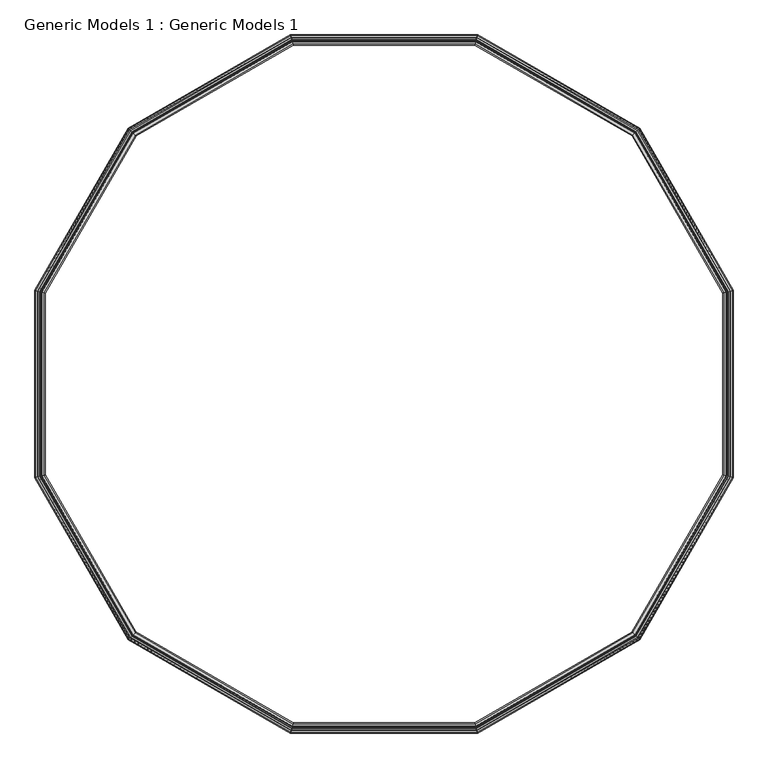
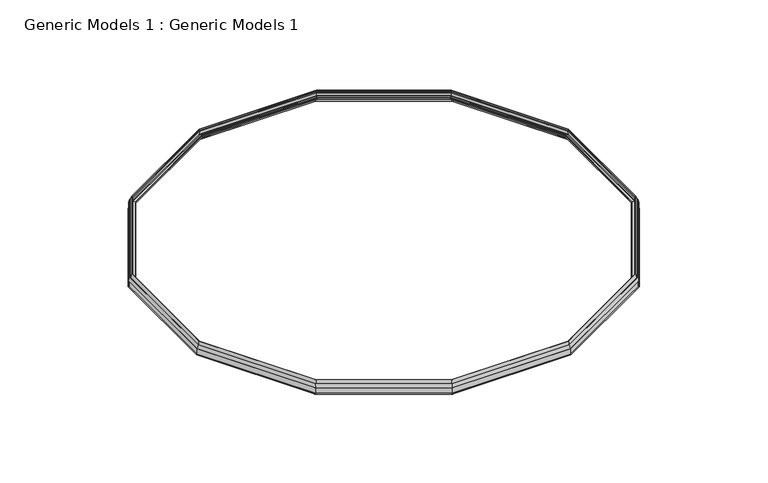
"""IFC4 building model written with IfcOpenShell, lengths in millimetres: proxy geometry, Generic Models 1 : Generic Models 1."""

from ifc_helpers import new_model, si_unit, origin, place, context, project, spatial, faceted_brep, source, transform, mapped, element, save


def generic_models_1_generic_models_1_68ff2a0e(model_context):
    return source(origin(), model_context, "Body", "Brep", [
        faceted_brep([(-13005.6262171, -10710.0653926, 816.136552), (-13003.255349, -10718.9135928, 825.1217053), (-14387.3151758, -11518.0009064, 825.1217053), (-14393.7925079, -11511.5235742, 816.136552), (-13005.9231098, -10708.957374, 817.227682), (-14394.6036338, -11510.7124484, 817.227682), (-13003.6808662, -10717.3255409, 825.7253719), (-14388.4777105, -11516.8383717, 825.7253719), (-13003.8416602, -10716.7254497, 903.8663133), (-14388.9170077, -11516.3990745, 903.8663133), (-13003.4174101, -10718.3087724, 903.8784726), (-14387.757935, -11517.5581471, 903.8784726), (-15186.4252359, -12902.1001314, 825.1217053), (-15195.2734362, -12899.7292633, 816.136552), (-15196.3814547, -12899.4323706, 817.227682), (-15188.0132878, -12901.6746141, 825.7253719), (-15188.613379, -12901.5138202, 903.8663133), (-15187.0300563, -12901.9380702, 903.8784726), (-15186.4252359, -14500.2013386, 825.1217053), (-15195.2734362, -14502.5722067, 816.136552), (-15196.3814547, -14502.8690994, 817.227682), (-15188.0132878, -14500.6268558, 825.7253719), (-15188.613379, -14500.7876497, 903.8663133), (-15187.0300563, -14500.3633997, 903.8784726), (-14387.3901961, -15884.1706245, 825.1217053), (-14393.8675282, -15890.6479567, 816.136552), (-14394.6786541, -15891.4590825, 817.227682), (-14388.5527308, -15885.3331592, 825.7253719), (-14388.992028, -15885.7724564, 903.8663133), (-14387.8329554, -15884.6133838, 903.8784726), (-13003.1985203, -16683.3340611, 825.1217053), (-13005.5693885, -16692.1822614, 816.136552), (-13005.8662811, -16693.29028, 817.227682), (-13003.6240376, -16684.9221131, 825.7253719), (-13003.7848315, -16685.5222042, 903.8663133), (-13003.3605815, -16683.9388815, 903.8784726), (-11405.0633978, -16683.3340611, 825.1217053), (-11402.6925296, -16692.1822614, 816.136552), (-11402.395637, -16693.29028, 817.227682), (-11404.6378805, -16684.9221131, 825.7253719), (-11404.4770866, -16685.5222042, 903.8663133), (-11404.9013366, -16683.9388815, 903.8784726), (-10021.0970932, -15884.3007426, 825.1217053), (-10014.619761, -15890.7780748, 816.136552), (-10013.8086351, -15891.5892007, 817.227682), (-10019.9345585, -15885.4632773, 825.7253719), (-10019.4952613, -15885.9025745, 903.8663133), (-10020.6543339, -15884.7435019, 903.8784726), (-9221.9482862, -14500.1344061, 825.1217053), (-9213.1000859, -14502.5052743, 816.136552), (-9211.9920674, -14502.8021669, 817.227682), (-9220.3602343, -14500.5599234, 825.7253719), (-9219.7601431, -14500.7207173, 903.8663133), (-9221.3434658, -14500.2964673, 903.8784726), (-9221.9482862, -12901.9068276, 825.1217053), (-9213.1000859, -12899.5359595, 816.136552), (-9211.9920674, -12899.2390668, 817.227682), (-9220.3602343, -12901.4813103, 825.7253719), (-9219.7601431, -12901.3205164, 903.8663133), (-9221.3434658, -12901.7447664, 903.8784726), (-11402.635701, -10710.0653926, 816.136552), (-11405.0065691, -10718.9135928, 825.1217053), (-11402.3388083, -10708.957374, 817.227682), (-11404.5810519, -10717.3255409, 825.7253719), (-11404.4202579, -10716.7254497, 903.8663133), (-11404.844508, -10718.3087724, 903.8784726), (-10020.9467423, -11518.0009064, 825.1217053), (-10014.4694102, -11511.5235742, 816.136552), (-10013.6582843, -11510.7124484, 817.227682), (-10019.7842076, -11516.8383717, 825.7253719), (-10019.3449104, -11516.3990745, 903.8663133), (-10020.503983, -11517.5581471, 903.8784726)], [[[0, 1, 2, 3]], [[4, 0, 3, 5]], [[6, 4, 5, 7]], [[8, 6, 7, 9]], [[1, 10, 11, 2]], [[3, 2, 12, 13]], [[5, 3, 13, 14]], [[7, 5, 14, 15]], [[9, 7, 15, 16]], [[2, 11, 17, 12]], [[13, 12, 18, 19]], [[14, 13, 19, 20]], [[15, 14, 20, 21]], [[16, 15, 21, 22]], [[12, 17, 23, 18]], [[19, 18, 24, 25]], [[20, 19, 25, 26]], [[21, 20, 26, 27]], [[22, 21, 27, 28]], [[18, 23, 29, 24]], [[25, 24, 30, 31]], [[26, 25, 31, 32]], [[27, 26, 32, 33]], [[28, 27, 33, 34]], [[24, 29, 35, 30]], [[31, 30, 36, 37]], [[32, 31, 37, 38]], [[33, 32, 38, 39]], [[34, 33, 39, 40]], [[30, 35, 41, 36]], [[37, 36, 42, 43]], [[38, 37, 43, 44]], [[39, 38, 44, 45]], [[40, 39, 45, 46]], [[36, 41, 47, 42]], [[43, 42, 48, 49]], [[44, 43, 49, 50]], [[45, 44, 50, 51]], [[46, 45, 51, 52]], [[42, 47, 53, 48]], [[49, 48, 54, 55]], [[50, 49, 55, 56]], [[51, 50, 56, 57]], [[52, 51, 57, 58]], [[48, 53, 59, 54]], [[60, 61, 1, 0]], [[62, 60, 0, 4]], [[63, 62, 4, 6]], [[64, 63, 6, 8]], [[65, 64, 8, 10]], [[61, 65, 10, 1]], [[10, 8, 9, 11]], [[11, 9, 16, 17]], [[17, 16, 22, 23]], [[23, 22, 28, 29]], [[29, 28, 34, 35]], [[35, 34, 40, 41]], [[41, 40, 46, 47]], [[47, 46, 52, 53]], [[53, 52, 58, 59]], [[55, 54, 66, 67]], [[56, 55, 67, 68]], [[57, 56, 68, 69]], [[58, 57, 69, 70]], [[59, 58, 70, 71]], [[54, 59, 71, 66]], [[67, 66, 61, 60]], [[68, 67, 60, 62]], [[69, 68, 62, 63]], [[70, 69, 63, 64]], [[71, 70, 64, 65]], [[66, 71, 65, 61]]]),
        faceted_brep([(-12996.9361882, -10742.4970219, 921.4265426), (-12996.3168407, -10744.8084583, 920.8282989), (-14368.3588186, -11536.9572636, 920.8282989), (-14370.0509075, -11535.2651747, 921.4265426), (-12997.1493517, -10741.701485, 918.352824), (-14370.6332809, -11534.6828012, 918.352824), (-12999.4147705, -10733.2468267, 950.0576189), (-13001.0619714, -10727.0993895, 951.6486928), (-14381.3227567, -11523.9933255, 951.6486928), (-14376.8225203, -11528.4935618, 950.0576189), (-12996.2173184, -10745.1798804, 996.1633979), (-14368.0869187, -11537.2291634, 996.1633979), (-12994.5701176, -10751.3273176, 994.5723241), (-14363.5866824, -11541.7293998, 994.5723241), (-12995.9565328, -10746.1531455, 974.5808583), (-14367.3744392, -11537.9416429, 974.5808583), (-12992.8004961, -10757.9316352, 971.5323609), (-14358.7519864, -11546.5640958, 971.5323609), (-15160.5303704, -12909.0386397, 920.8282989), (-15162.8418068, -12908.4192921, 921.4265426), (-15163.6373437, -12908.2061287, 918.352824), (-15178.2394392, -12904.293509, 951.6486928), (-15172.092002, -12905.9407098, 950.0576189), (-15160.1589483, -12909.1381619, 996.1633979), (-15154.0115111, -12910.7853627, 994.5723241), (-15159.1856832, -12909.3989475, 974.5808583), (-15147.4071935, -12912.5549843, 971.5323609), (-15160.5303704, -14493.2628303, 920.8282989), (-15162.8418068, -14493.8821778, 921.4265426), (-15163.6373437, -14494.0953413, 918.352824), (-15178.2394392, -14498.007961, 951.6486928), (-15172.092002, -14496.3607601, 950.0576189), (-15160.1589483, -14493.163308, 996.1633979), (-15154.0115111, -14491.5161072, 994.5723241), (-15159.1856832, -14492.9025224, 974.5808583), (-15147.4071935, -14489.7464856, 971.5323609), (-14368.4338389, -15865.2142674, 920.8282989), (-14370.1259278, -15866.9063562, 921.4265426), (-14370.7083013, -15867.4887297, 918.352824), (-14381.397777, -15878.1782054, 951.6486928), (-14376.8975407, -15873.6779691, 950.0576189), (-14368.1619391, -15864.9423675, 996.1633979), (-14363.6617027, -15860.4421311, 994.5723241), (-14367.4494596, -15864.229888, 974.5808583), (-14358.8270067, -15855.6074351, 971.5323609), (-12996.2600121, -16657.4391957, 920.8282989), (-12996.8793596, -16659.7506321, 921.4265426), (-12997.092523, -16660.546169, 918.352824), (-13001.0051427, -16675.1482644, 951.6486928), (-12999.3579419, -16669.0008272, 950.0576189), (-12996.1604898, -16657.0677736, 996.1633979), (-12994.513289, -16650.9203364, 994.5723241), (-12995.8997042, -16656.0945084, 974.5808583), (-12992.7436674, -16644.3160188, 971.5323609), (-11412.001906, -16657.4391957, 920.8282989), (-11411.3825585, -16659.7506321, 921.4265426), (-11411.1693951, -16660.546169, 918.352824), (-11407.2567754, -16675.1482644, 951.6486928), (-11408.9039762, -16669.0008272, 950.0576189), (-11412.1014283, -16657.0677736, 996.1633979), (-11413.7486291, -16650.9203364, 994.5723241), (-11412.3622139, -16656.0945084, 974.5808583), (-11415.5182507, -16644.3160188, 971.5323609), (-10040.0534503, -15865.3443855, 920.8282989), (-10038.3613615, -15867.0364743, 921.4265426), (-10037.778988, -15867.6188478, 918.352824), (-10027.0895122, -15878.3083236, 951.6486928), (-10031.5897486, -15873.8080872, 950.0576189), (-10040.3253502, -15865.0724856, 996.1633979), (-10044.8255866, -15860.5722492, 994.5723241), (-10041.0378297, -15864.3600061, 974.5808583), (-10049.6602826, -15855.7375532, 971.5323609), (-9247.8431516, -14493.1958979, 920.8282989), (-9245.5317153, -14493.8152454, 921.4265426), (-9244.7361783, -14494.0284088, 918.352824), (-9230.1340829, -14497.9410285, 951.6486928), (-9236.2815201, -14496.2938277, 950.0576189), (-9248.2145738, -14493.0963756, 996.1633979), (-9254.362011, -14491.4491748, 994.5723241), (-9249.1878389, -14492.83559, 974.5808583), (-9260.9663286, -14489.6795532, 971.5323609), (-9247.8431516, -12908.8453359, 920.8282989), (-9245.5317153, -12908.2259883, 921.4265426), (-9244.7361783, -12908.0128249, 918.352824), (-9230.1340829, -12904.1002052, 951.6486928), (-9236.2815201, -12905.747406, 950.0576189), (-9248.2145738, -12908.9448581, 996.1633979), (-9254.362011, -12910.592059, 994.5723241), (-9249.1878389, -12909.2056437, 974.5808583), (-9260.9663286, -12912.3616805, 971.5323609), (-11411.3257299, -10742.4970219, 921.4265426), (-11411.9450774, -10744.8084583, 920.8282989), (-11411.1125664, -10741.701485, 918.352824), (-11408.8471476, -10733.2468267, 950.0576189), (-11407.1999467, -10727.0993895, 951.6486928), (-11412.0445997, -10745.1798804, 996.1633979), (-11413.6918005, -10751.3273176, 994.5723241), (-11412.3053853, -10746.1531455, 974.5808583), (-11415.461422, -10757.9316352, 971.5323609), (-12991.3841488, -10763.2175152, 912.7840656), (-14354.8824536, -11550.4336285, 912.7840656), (-12990.2571146, -10767.4236641, 929.0353771), (-14351.8033389, -11553.5127432, 929.0353771), (-12985.0685937, -10786.7874875, 927.8226039), (-14337.6280364, -11567.6880458, 927.8226039), (-12985.5302066, -10785.0647247, 921.1663598), (-14338.8891862, -11566.4268959, 921.1663598), (-12982.235805, -10797.3595991, 917.9842121), (-14329.8887135, -11575.4273687, 917.9842121), (-12983.2148862, -10793.705618, 903.8663133), (-14332.5636133, -11572.7524689, 903.8663133), (-15142.1213136, -12913.9713316, 912.7840656), (-15137.9151647, -12915.0983658, 929.0353771), (-15118.5513412, -12920.2868866, 927.8226039), (-15120.274104, -12919.8252737, 921.1663598), (-15107.9792296, -12923.1196754, 917.9842121), (-15111.6332107, -12922.1405941, 903.8663133), (-15142.1213136, -14488.3301384, 912.7840656), (-15137.9151647, -14487.2031042, 929.0353771), (-15118.5513412, -14482.0145833, 927.8226039), (-15120.274104, -14482.4761962, 921.1663598), (-15107.9792296, -14479.1817945, 917.9842121), (-15111.6332107, -14480.1608758, 903.8663133), (-14354.957474, -15851.7379024, 912.7840656), (-14351.8783593, -15848.6587877, 929.0353771), (-14337.7030567, -15834.4834851, 927.8226039), (-14338.9642066, -15835.744635, 921.1663598), (-14329.9637338, -15826.7441623, 917.9842121), (-14332.6386336, -15829.4190621, 903.8663133), (-12991.3273201, -16639.0301388, 912.7840656), (-12990.2002859, -16634.8239899, 929.0353771), (-12985.0117651, -16615.4601665, 927.8226039), (-12985.473378, -16617.1829292, 921.1663598), (-12982.1789763, -16604.8880548, 917.9842121), (-12983.1580576, -16608.5420359, 903.8663133), (-11416.934598, -16639.0301388, 912.7840656), (-11418.0616322, -16634.8239899, 929.0353771), (-11423.250153, -16615.4601665, 927.8226039), (-11422.7885401, -16617.1829292, 921.1663598), (-11426.0829418, -16604.8880548, 917.9842121), (-11425.1038605, -16608.5420359, 903.8663133), (-10053.5298153, -15851.8680205, 912.7840656), (-10056.60893, -15848.7889058, 929.0353771), (-10070.7842326, -15834.6136032, 927.8226039), (-10069.5230827, -15835.8747531, 921.1663598), (-10078.5235554, -15826.8742804, 917.9842121), (-10075.8486556, -15829.5491802, 903.8663133), (-9266.2522085, -14488.2632059, 912.7840656), (-9270.4583574, -14487.1361717, 929.0353771), (-9289.8221809, -14481.9476509, 927.8226039), (-9288.0994181, -14482.4092638, 921.1663598), (-9300.3942925, -14479.1148621, 917.9842121), (-9296.7403114, -14480.0939434, 903.8663133), (-9266.2522085, -12913.7780278, 912.7840656), (-9270.4583574, -12914.905062, 929.0353771), (-9289.8221809, -12920.0935828, 927.8226039), (-9288.0994181, -12919.6319699, 921.1663598), (-9300.3942925, -12922.9263716, 917.9842121), (-9296.7403114, -12921.9472903, 903.8663133), (-11416.8777693, -10763.2175152, 912.7840656), (-11418.0048035, -10767.4236641, 929.0353771), (-11423.1933244, -10786.7874875, 927.8226039), (-11422.7317115, -10785.0647247, 921.1663598), (-11426.0261131, -10797.3595991, 917.9842121), (-11425.0470319, -10793.705618, 903.8663133), (-13004.3756963, -10714.7323997, 903.8663133), (-14390.3760216, -11514.9400606, 903.8663133), (-15190.606429, -12900.979784, 903.8663133), (-15190.606429, -14501.3216859, 903.8663133), (-14390.4510419, -15887.2314703, 903.8663133), (-13004.3188677, -16687.5152543, 903.8663133), (-11403.9430504, -16687.5152543, 903.8663133), (-10018.0362474, -15887.3615884, 903.8663133), (-9217.7670931, -14501.2547535, 903.8663133), (-9217.7670931, -12900.7864803, 903.8663133), (-11403.8862218, -10714.7323997, 903.8663133), (-10039.9030995, -11536.9572636, 920.8282989), (-10038.2110106, -11535.2651747, 921.4265426), (-10037.6286372, -11534.6828012, 918.352824), (-10053.3794645, -11550.4336285, 912.7840656), (-10056.4585792, -11553.5127432, 929.0353771), (-10070.6338817, -11567.6880458, 927.8226039), (-10069.3727319, -11566.4268959, 921.1663598), (-10078.3732046, -11575.4273687, 917.9842121), (-10075.6983048, -11572.7524689, 903.8663133), (-10017.8858965, -11514.9400606, 903.8663133), (-10026.9391614, -11523.9933255, 951.6486928), (-10031.4393978, -11528.4935618, 950.0576189), (-10040.1749994, -11537.2291634, 996.1633979), (-10044.6752357, -11541.7293998, 994.5723241), (-10040.8874789, -11537.9416429, 974.5808583), (-10049.5099317, -11546.5640958, 971.5323609)], [[[0, 1, 2, 3]], [[4, 0, 3, 5]], [[6, 7, 8, 9]], [[10, 6, 9, 11]], [[12, 10, 11, 13]], [[14, 12, 13, 15]], [[16, 14, 15, 17]], [[1, 16, 17, 2]], [[3, 2, 18, 19]], [[5, 3, 19, 20]], [[9, 8, 21, 22]], [[11, 9, 22, 23]], [[13, 11, 23, 24]], [[15, 13, 24, 25]], [[17, 15, 25, 26]], [[2, 17, 26, 18]], [[19, 18, 27, 28]], [[20, 19, 28, 29]], [[22, 21, 30, 31]], [[23, 22, 31, 32]], [[24, 23, 32, 33]], [[25, 24, 33, 34]], [[26, 25, 34, 35]], [[18, 26, 35, 27]], [[28, 27, 36, 37]], [[29, 28, 37, 38]], [[31, 30, 39, 40]], [[32, 31, 40, 41]], [[33, 32, 41, 42]], [[34, 33, 42, 43]], [[35, 34, 43, 44]], [[27, 35, 44, 36]], [[37, 36, 45, 46]], [[38, 37, 46, 47]], [[40, 39, 48, 49]], [[41, 40, 49, 50]], [[42, 41, 50, 51]], [[43, 42, 51, 52]], [[44, 43, 52, 53]], [[36, 44, 53, 45]], [[46, 45, 54, 55]], [[47, 46, 55, 56]], [[49, 48, 57, 58]], [[50, 49, 58, 59]], [[51, 50, 59, 60]], [[52, 51, 60, 61]], [[53, 52, 61, 62]], [[45, 53, 62, 54]], [[55, 54, 63, 64]], [[56, 55, 64, 65]], [[58, 57, 66, 67]], [[59, 58, 67, 68]], [[60, 59, 68, 69]], [[61, 60, 69, 70]], [[62, 61, 70, 71]], [[54, 62, 71, 63]], [[64, 63, 72, 73]], [[65, 64, 73, 74]], [[67, 66, 75, 76]], [[68, 67, 76, 77]], [[69, 68, 77, 78]], [[70, 69, 78, 79]], [[71, 70, 79, 80]], [[63, 71, 80, 72]], [[73, 72, 81, 82]], [[74, 73, 82, 83]], [[76, 75, 84, 85]], [[77, 76, 85, 86]], [[78, 77, 86, 87]], [[79, 78, 87, 88]], [[80, 79, 88, 89]], [[72, 80, 89, 81]], [[90, 91, 1, 0]], [[92, 90, 0, 4]], [[93, 94, 7, 6]], [[95, 93, 6, 10]], [[96, 95, 10, 12]], [[97, 96, 12, 14]], [[98, 97, 14, 16]], [[91, 98, 16, 1]], [[99, 4, 5, 100]], [[101, 99, 100, 102]], [[103, 101, 102, 104]], [[105, 103, 104, 106]], [[107, 105, 106, 108]], [[109, 107, 108, 110]], [[100, 5, 20, 111]], [[102, 100, 111, 112]], [[104, 102, 112, 113]], [[106, 104, 113, 114]], [[108, 106, 114, 115]], [[110, 108, 115, 116]], [[111, 20, 29, 117]], [[112, 111, 117, 118]], [[113, 112, 118, 119]], [[114, 113, 119, 120]], [[115, 114, 120, 121]], [[116, 115, 121, 122]], [[117, 29, 38, 123]], [[118, 117, 123, 124]], [[119, 118, 124, 125]], [[120, 119, 125, 126]], [[121, 120, 126, 127]], [[122, 121, 127, 128]], [[123, 38, 47, 129]], [[124, 123, 129, 130]], [[125, 124, 130, 131]], [[126, 125, 131, 132]], [[127, 126, 132, 133]], [[128, 127, 133, 134]], [[129, 47, 56, 135]], [[130, 129, 135, 136]], [[131, 130, 136, 137]], [[132, 131, 137, 138]], [[133, 132, 138, 139]], [[134, 133, 139, 140]], [[135, 56, 65, 141]], [[136, 135, 141, 142]], [[137, 136, 142, 143]], [[138, 137, 143, 144]], [[139, 138, 144, 145]], [[140, 139, 145, 146]], [[141, 65, 74, 147]], [[142, 141, 147, 148]], [[143, 142, 148, 149]], [[144, 143, 149, 150]], [[145, 144, 150, 151]], [[146, 145, 151, 152]], [[147, 74, 83, 153]], [[148, 147, 153, 154]], [[149, 148, 154, 155]], [[150, 149, 155, 156]], [[151, 150, 156, 157]], [[152, 151, 157, 158]], [[159, 92, 4, 99]], [[160, 159, 99, 101]], [[161, 160, 101, 103]], [[162, 161, 103, 105]], [[163, 162, 105, 107]], [[164, 163, 107, 109]], [[7, 165, 166, 8]], [[8, 166, 167, 21]], [[21, 167, 168, 30]], [[30, 168, 169, 39]], [[39, 169, 170, 48]], [[48, 170, 171, 57]], [[57, 171, 172, 66]], [[66, 172, 173, 75]], [[75, 173, 174, 84]], [[94, 175, 165, 7]], [[82, 81, 176, 177]], [[83, 82, 177, 178]], [[153, 83, 178, 179]], [[154, 153, 179, 180]], [[155, 154, 180, 181]], [[156, 155, 181, 182]], [[157, 156, 182, 183]], [[158, 157, 183, 184]], [[84, 174, 185, 186]], [[85, 84, 186, 187]], [[86, 85, 187, 188]], [[87, 86, 188, 189]], [[88, 87, 189, 190]], [[89, 88, 190, 191]], [[81, 89, 191, 176]], [[177, 176, 91, 90]], [[178, 177, 90, 92]], [[179, 178, 92, 159]], [[180, 179, 159, 160]], [[181, 180, 160, 161]], [[182, 181, 161, 162]], [[183, 182, 162, 163]], [[184, 183, 163, 164]], [[175, 185, 174, 173, 172, 171, 170, 169, 168, 167, 166, 165], [152, 158, 184, 164, 109, 110, 116, 122, 128, 134, 140, 146]], [[186, 185, 175, 94]], [[187, 186, 94, 93]], [[188, 187, 93, 95]], [[189, 188, 95, 96]], [[190, 189, 96, 97]], [[191, 190, 97, 98]], [[176, 191, 98, 91]]]),
    ])


if __name__ == "__main__":
    model = new_model("IFC4")
    model_context = context("Model", 3, world=origin())
    ifc_project = project(units=[si_unit("LENGTHUNIT", "METRE", prefix="MILLI")], contexts=[model_context])
    site = spatial("IfcSite", under=ifc_project)
    building = spatial("IfcBuilding", under=site)
    placement = place(None, origin())
    generic_models_1_generic_models_1_shape = generic_models_1_generic_models_1_68ff2a0e(model_context)
    element("IfcBuildingElementProxy", 1, Name="Generic Models 1 : Generic Models 1", ObjectType="Generic Models 1 : Generic Models 1", at=placement, inside=building, context=model_context, shape_type="MappedRepresentation", body=[
        mapped(generic_models_1_generic_models_1_shape, transform((0.0, 0.0, 0.0), x_axis=(1.0, 0.0, 0.0), y_axis=(0.0, 1.0, 0.0), z_axis=(0.0, 0.0, 1.0))),
    ])
    save(model, "model.ifc")
